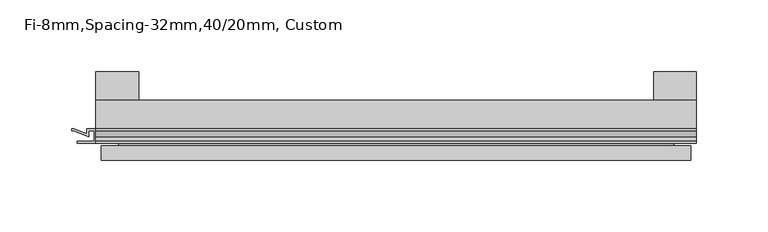
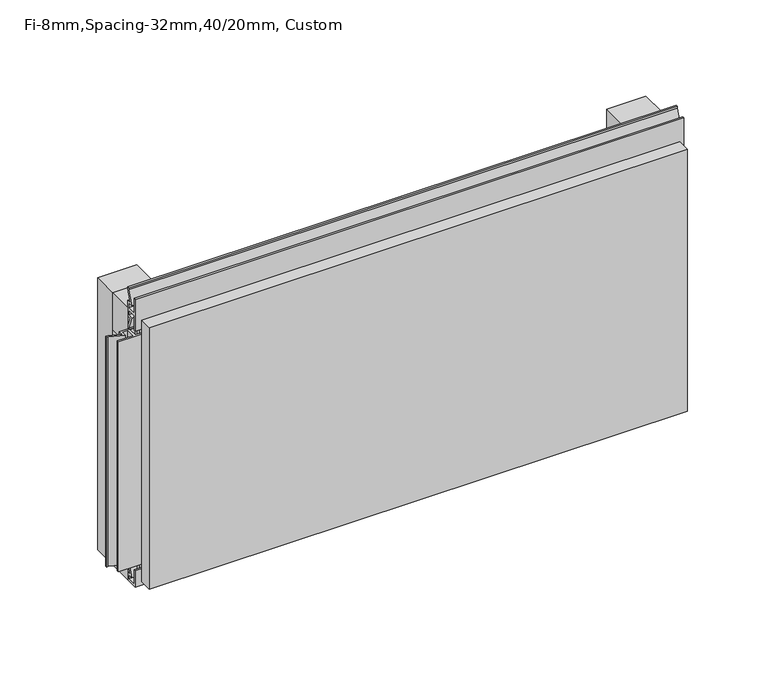
"""IFC4 building model written with IfcOpenShell, lengths in millimetres: plate geometry, Fi-8mm,Spacing-32mm,40/20mm, Custom."""

from ifc_helpers import new_model, si_unit, frame, origin, origin_with_axes, place, context, project, spatial, polyline, outline, extrude, faceted_brep, source, transform, mapped, element, save


def fi_8mm_spacing_32mm_40_20mm_custom_3a74b2d0(model_context):
    return source(origin(), model_context, "Body", "SolidModel", [
        extrude(outline(polyline([(-210.0, -40.0), (-210.0, -20.0), (210.0, -20.0), (210.0, -40.0), (-210.0, -40.0)])), frame((0.0, 0.0, 190.0), z_axis=(0.0, 0.0, 1.0), x_axis=(1.0, 0.0, 0.0)), (0.0, 0.0, 1.0), 30.0),
        extrude(outline(polyline([(-210.0, -40.0), (-210.0, -20.0), (210.0, -20.0), (210.0, -40.0), (-210.0, -40.0)])), origin_with_axes(), (0.0, 0.0, 1.0), 30.0),
        extrude(outline(polyline([(180.0, 0.0), (210.0, 0.0), (210.0, -20.0), (180.0, -20.0), (180.0, 0.0)])), origin_with_axes(), (0.0, 0.0, 1.0), 220.0),
        extrude(outline(polyline([(-180.0, 0.0), (-180.0, -20.0), (-210.0, -20.0), (-210.0, 0.0), (-180.0, 0.0)])), origin_with_axes(), (0.0, 0.0, 1.0), 220.0),
        extrude(outline(polyline([(-40.0, 6.299084), (-40.0, 0.0), (-50.1, 0.0), (-50.1, 13.4156807), (-48.7, 13.4156807), (-48.7, 1.4156807), (-41.4, 1.4156807), (-41.4, 4.899084), (-45.5140545, 4.899084), (-41.4553267, 15.5703394), (-41.4553267, 22.991548), (-40.0553267, 22.991548), (-40.0553267, 15.3558599), (-43.5, 6.299084), (-40.0, 6.299084)])), frame((-210.0, 0.0, 0.0), z_axis=(1.0, 0.0, 0.0), x_axis=(0.0, 1.0, 0.0)), (0.0, 0.0, 1.0), 420.0),
        extrude(outline(polyline([(-210.899084, -48.7), (-210.899084, -41.4), (-214.899084, -41.4), (-214.899084, -45.5140545), (-225.5703394, -41.4553267), (-226.9558599, -41.4553267), (-226.9558599, -40.0553267), (-225.3558599, -40.0553267), (-216.299084, -43.5), (-216.299084, -40.0), (-203.700916, -40.0), (-203.700916, -43.5), (-194.6441401, -40.0553267), (-193.0441401, -40.0553267), (-193.0441401, -41.4553267), (-194.4296606, -41.4553267), (-205.100916, -45.5140545), (-205.100916, -41.4), (-209.100916, -41.4), (-209.100916, -48.7), (-197.100916, -48.7), (-197.100916, -50.1), (-222.899084, -50.1), (-222.899084, -48.7), (-210.899084, -48.7)])), frame((0.0, 0.0, 16.9558599), z_axis=(0.0, 0.0, 1.0), x_axis=(1.0, 0.0, 0.0)), (0.0, 0.0, 1.0), 186.0882802),
        extrude(outline(polyline([(-48.7, 220.899084), (-41.4, 220.899084), (-41.4, 224.899084), (-45.5140545, 224.899084), (-41.4553267, 235.5703394), (-41.4553267, 236.9558599), (-40.0553267, 236.9558599), (-40.0553267, 235.3558599), (-43.5, 226.299084), (-40.0, 226.299084), (-40.0, 213.700916), (-43.5, 213.700916), (-40.0553267, 204.6441401), (-40.0553267, 203.0441401), (-41.4553267, 203.0441401), (-41.4553267, 204.4296606), (-45.5140545, 215.100916), (-41.4, 215.100916), (-41.4, 219.100916), (-48.7, 219.100916), (-48.7, 207.100916), (-50.1, 207.100916), (-50.1, 232.899084), (-48.7, 232.899084), (-48.7, 220.899084)])), frame((-210.0, 0.0, 0.0), z_axis=(1.0, 0.0, 0.0), x_axis=(0.0, 1.0, 0.0)), (0.0, 0.0, 1.0), 420.0),
        faceted_brep([(206.0, -45.9, 216.0), (-206.0, -45.9, 216.0), (-206.0, -48.7, 216.0), (206.0, -48.7, 216.0), (-206.0, -61.9, 216.0), (206.0, -61.9, 216.0), (206.0, -51.9, 216.0), (-206.0, -51.9, 216.0), (-206.0, -45.9, 4.0), (206.0, -45.9, 4.0), (206.0, -48.7, 4.0), (-206.0, -48.7, 4.0), (206.0, -61.9, 4.0), (-206.0, -61.9, 4.0), (-206.0, -51.9, 4.0), (206.0, -51.9, 4.0), (194.0, -51.9, 204.0), (194.0, -51.9, 16.0), (194.0, -48.7, 16.0), (194.0, -48.7, 204.0), (-194.0, -51.9, 16.0), (-194.0, -48.7, 16.0), (-194.0, -51.9, 204.0), (-194.0, -48.7, 204.0)], [[[0, 1, 2, 3]], [[4, 5, 6, 7]], [[8, 9, 10, 11]], [[12, 13, 14, 15]], [[1, 0, 9, 8]], [[1, 8, 11, 2]], [[13, 4, 7, 14]], [[5, 4, 13, 12]], [[9, 0, 3, 10]], [[5, 12, 15, 6]], [[16, 17, 18, 19]], [[18, 17, 20, 21]], [[21, 20, 22, 23]], [[16, 19, 23, 22]], [[7, 6, 15, 14], [17, 16, 22, 20]], [[3, 2, 11, 10], [19, 18, 21, 23]]]),
    ])


if __name__ == "__main__":
    model = new_model("IFC4")
    model_context = context("Model", 3, world=origin())
    ifc_project = project(units=[si_unit("LENGTHUNIT", "METRE", prefix="MILLI")], contexts=[model_context])
    site = spatial("IfcSite", under=ifc_project)
    building = spatial("IfcBuilding", under=site)
    placement = place(None, origin())
    fi_8mm_spacing_32mm_40_20mm_custom_shape = fi_8mm_spacing_32mm_40_20mm_custom_3a74b2d0(model_context)
    element("IfcPlate", 1, ObjectType="Fi-8mm,Spacing-32mm,40/20mm, Custom", at=placement, inside=building, context=model_context, shape_type="MappedRepresentation", body=[
        mapped(fi_8mm_spacing_32mm_40_20mm_custom_shape, transform((0.0, 0.0, 0.0), x_axis=(1.0, 0.0, 0.0), y_axis=(0.0, 1.0, 0.0), z_axis=(0.0, 0.0, 1.0))),
    ])
    save(model, "model.ifc")
